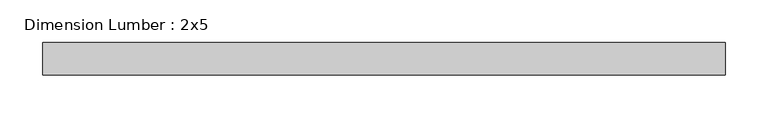
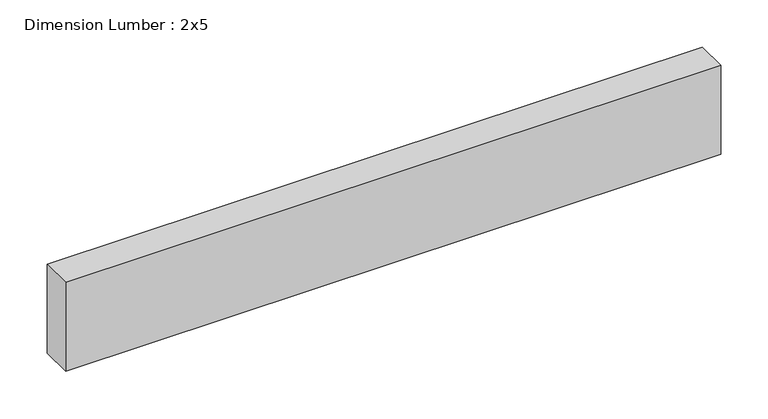
"""IFC4 building model written with IfcOpenShell, lengths in millimetres: beam geometry, Dimension Lumber : 2x5."""

from ifc_helpers import new_model, si_unit, frame, origin, place, context, project, spatial, polyline, outline, extrude, source, transform, mapped, element, save


def dimension_lumber_2x5_1128b557(model_context):
    return source(origin(), model_context, "Body", "SweptSolid", [
        extrude(outline(polyline([(398.6763271, 19.05), (398.6763271, -19.05), (-398.6763271, -19.05), (-398.6763271, 19.05), (398.6763271, 19.05)])), frame((0.0, 0.0, -57.15), z_axis=(0.0, 0.0, 1.0), x_axis=(1.0, 0.0, 0.0)), (0.0, 0.0, 1.0), 114.3),
    ])


if __name__ == "__main__":
    model = new_model("IFC4")
    model_context = context("Model", 3, world=origin())
    ifc_project = project(units=[si_unit("LENGTHUNIT", "METRE", prefix="MILLI")], contexts=[model_context])
    site = spatial("IfcSite", under=ifc_project)
    building = spatial("IfcBuilding", under=site)
    placement = place(None, origin())
    dimension_lumber_2x5_shape = dimension_lumber_2x5_1128b557(model_context)
    element("IfcBeam", 1, ObjectType="Dimension Lumber : 2x5", at=placement, inside=building, context=model_context, shape_type="MappedRepresentation", body=[
        mapped(dimension_lumber_2x5_shape, transform((0.0, 0.0, 0.0), x_axis=(1.0, 0.0, 0.0), y_axis=(0.0, 1.0, 0.0), z_axis=(0.0, 0.0, 1.0))),
    ])
    save(model, "model.ifc")
